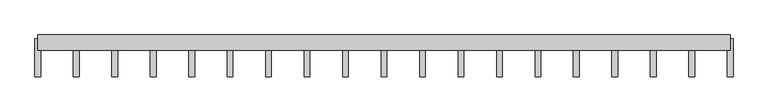
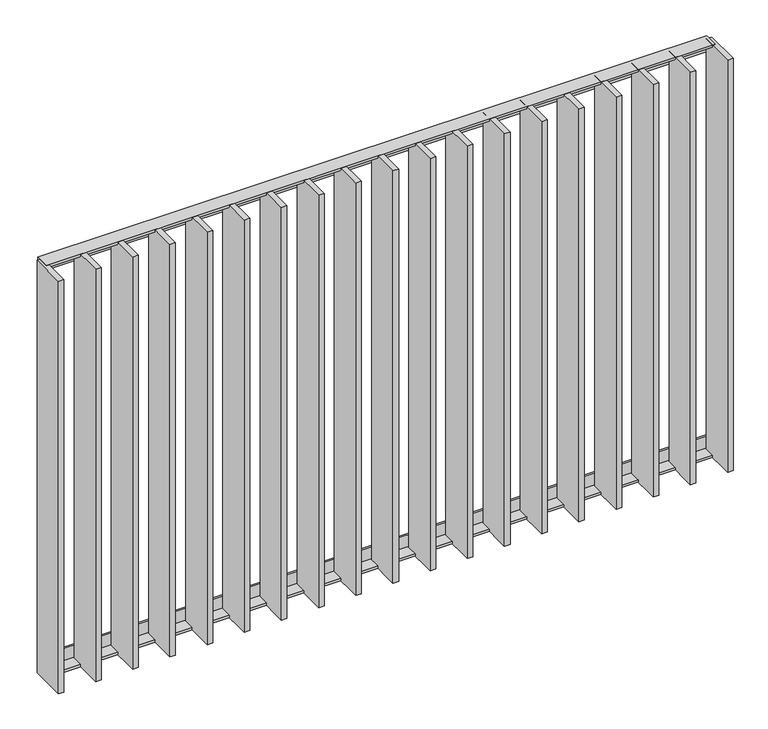
"""IFC4 building model written with IfcOpenShell, lengths in millimetres: railing geometry."""

import ifcopenshell
import ifcopenshell.guid

model = None  # the IFC model being written
_history = None  # IfcOwnerHistory: only IFC2X3 demands one
_inside = {}  # id of a spatial element -> (the spatial element, [elements in it])
_under = {}  # id of a project, library or spatial element -> (it, [spatial elements below it])
_declared = {}  # id of a project -> (the project, [libraries it declares])
_typed = {}  # id of a type object -> (the type object, [elements of that type])
_made_of = {}  # id of a material, layer set ... -> (it, [elements and type objects made of it])


def new_model(schema):
    """Start an empty IFC model of exactly this schema.

    Asked for "IFC4X3", IfcOpenShell would pick the latest addendum, in which some entities
    have other attributes; the version numbers below select the first issue.
    IFC2X3 requires an IfcOwnerHistory on every rooted entity: one is made here for all.
    """
    global model, _history
    if schema == "IFC4X3":
        model = ifcopenshell.file(schema_version=(4, 3, 0, 0))
    else:
        model = ifcopenshell.file(schema=schema)
    _inside.clear()
    _under.clear()
    _declared.clear()
    _typed.clear()
    _made_of.clear()
    _history = None
    if model.schema == "IFC2X3":
        org = make("IfcOrganization", Name="unknown")
        user = make(
            "IfcPersonAndOrganization",
            ThePerson=make("IfcPerson", FamilyName="unknown"),
            TheOrganization=org,
        )
        app = make(
            "IfcApplication",
            ApplicationDeveloper=org,
            Version="unknown",
            ApplicationFullName="unknown",
            ApplicationIdentifier="unknown",
        )
        _history = make(
            "IfcOwnerHistory",
            OwningUser=user,
            OwningApplication=app,
            ChangeAction="ADDED",
            CreationDate=0,
        )
    return model


def make(cls, **values):
    """One entity of the class cls with the attributes given. An attribute that is None is left unset."""
    return model.create_entity(
        cls, **{name: value for name, value in values.items() if value is not None}
    )


def rooted(cls, **values):
    """An entity with a GlobalId (a new one), such as an element, a storey or a relation."""
    return make(cls, GlobalId=ifcopenshell.guid.new(), OwnerHistory=_history, **values)


def si_unit(unit_type, name, prefix=None):
    """IfcSIUnit, for example si_unit("LENGTHUNIT", "METRE", prefix="MILLI")."""
    return make("IfcSIUnit", UnitType=unit_type, Prefix=prefix, Name=name)


def assignment(units):
    """IfcUnitAssignment: the units of a project."""
    return None if units is None else make("IfcUnitAssignment", Units=units)


def point(xyz):
    """IfcCartesianPoint."""
    return None if xyz is None else make("IfcCartesianPoint", Coordinates=xyz)


def direction(xyz):
    """IfcDirection."""
    return None if xyz is None else make("IfcDirection", DirectionRatios=xyz)


def frame(location, z_axis=None, x_axis=None):
    """IfcAxis2Placement3D, a coordinate frame: its origin and axes. An axis left out is left unset."""
    return make(
        "IfcAxis2Placement3D",
        Location=point(location),
        Axis=direction(z_axis),
        RefDirection=direction(x_axis),
    )


def origin():
    """The frame at (0, 0, 0) with its axes left unset."""
    return frame((0.0, 0.0, 0.0))


def place(relative_to, where):
    """IfcLocalPlacement: puts the frame where relative to a parent placement (None: the world)."""
    return make(
        "IfcLocalPlacement", PlacementRelTo=relative_to, RelativePlacement=where
    )


def context(
    kind, dimensions, precision=None, world=None, true_north=None, identifier=None
):
    """IfcGeometricRepresentationContext, for example the 3D "Model" context."""
    return make(
        "IfcGeometricRepresentationContext",
        ContextIdentifier=identifier,
        ContextType=kind,
        CoordinateSpaceDimension=dimensions,
        Precision=precision,
        WorldCoordinateSystem=world,
        TrueNorth=true_north,
    )


def project(units=None, contexts=None):
    """IfcProject with its units and contexts."""
    return rooted(
        "IfcProject",
        Name="project",
        RepresentationContexts=contexts,
        UnitsInContext=assignment(units),
    )


def spatial(cls, under=None, at=None, **own):
    """A site, building, storey or space (cls), placed at a placement, below another one or the project."""
    s = rooted(cls, ObjectPlacement=at, **own)
    if under is not None:
        _under.setdefault(under.id(), (under, []))[1].append(s)
    return s


def polyline(points):
    """IfcPolyline through the points."""
    return make("IfcPolyline", Points=[point(p) for p in points])


def outline(outer, holes=None, kind="AREA"):
    """IfcArbitraryClosedProfileDef: a profile drawn as a closed curve; with holes, ...WithVoids."""
    if holes is None:
        return make("IfcArbitraryClosedProfileDef", ProfileType=kind, OuterCurve=outer)
    return make(
        "IfcArbitraryProfileDefWithVoids",
        ProfileType=kind,
        OuterCurve=outer,
        InnerCurves=holes,
    )


def extrude(swept, where, along, depth):
    """IfcExtrudedAreaSolid: the profile swept, set in the frame where, extruded along a direction by depth."""
    return make(
        "IfcExtrudedAreaSolid",
        SweptArea=swept,
        Position=where,
        ExtrudedDirection=direction(along),
        Depth=depth,
    )


def shape(context_of_items, identifier, shape_type, items):
    """IfcShapeRepresentation: the items that make up one representation, for example the "Body"."""
    return make(
        "IfcShapeRepresentation",
        ContextOfItems=context_of_items,
        RepresentationIdentifier=identifier,
        RepresentationType=shape_type,
        Items=items,
    )


def source(mapping_origin, context_of_items, identifier, shape_type, items):
    """IfcRepresentationMap: a shape defined once, which mapped items show again and again."""
    return make(
        "IfcRepresentationMap",
        MappingOrigin=mapping_origin,
        MappedRepresentation=shape(context_of_items, identifier, shape_type, items),
    )


def transform(
    local_origin,
    x_axis=None,
    y_axis=None,
    z_axis=None,
    scale=None,
    scale2=None,
    scale3=None,
    uniform=True,
):
    """IfcCartesianTransformationOperator3D, or its non-uniform kind. x_axis, y_axis, z_axis: its Axis1, 2, 3."""
    if uniform:
        return make(
            "IfcCartesianTransformationOperator3D",
            Axis1=direction(x_axis),
            Axis2=direction(y_axis),
            LocalOrigin=point(local_origin),
            Scale=scale,
            Axis3=direction(z_axis),
        )
    return make(
        "IfcCartesianTransformationOperator3DnonUniform",
        Axis1=direction(x_axis),
        Axis2=direction(y_axis),
        LocalOrigin=point(local_origin),
        Scale=scale,
        Axis3=direction(z_axis),
        Scale2=scale2,
        Scale3=scale3,
    )


def mapped(mapping_source, mapping_target):
    """IfcMappedItem: shows the shape of a source again, moved by a transform."""
    return make(
        "IfcMappedItem", MappingSource=mapping_source, MappingTarget=mapping_target
    )


def made_of(thing, what):
    """Note that an element or type object is made of a material, layer set ...; save() writes the relation."""
    if what is not None:
        _made_of.setdefault(what.id(), (what, []))[1].append(thing)
    return thing


def element(
    cls,
    number,
    at=None,
    inside=None,
    cuts=None,
    type_object=None,
    material=None,
    context=None,
    identifier="Body",
    shape_type=None,
    held_by="IfcProductDefinitionShape",
    body=None,
    shapes=None,
    **own,
):
    """One element of the class cls, such as IfcWall. Its Tag is "e" and its number.

    at: its placement. inside: the storey or other place that contains it. cuts: it is an
    opening in that element (IfcRelVoidsElement). A single representation is given by context,
    identifier, shape_type and body (its items); several are given by shapes. held_by: the class
    of the entity that holds the representations. save() writes the other relations.
    """
    e = rooted(cls, Tag="e%d" % number, ObjectPlacement=at, **own)
    if body is not None:
        shapes = [shape(context, identifier, shape_type, body)]
    if shapes is not None:
        e.Representation = make(held_by, Representations=shapes)
    if inside is not None:
        _inside.setdefault(inside.id(), (inside, []))[1].append(e)
    if cuts is not None:
        rooted(
            "IfcRelVoidsElement", RelatingBuildingElement=cuts, RelatedOpeningElement=e
        )
    if type_object is not None:
        _typed.setdefault(type_object.id(), (type_object, []))[1].append(e)
    return made_of(e, material)


def aggregate(whole, parts):
    """IfcRelAggregates: a whole, such as a stair, and the parts it consists of."""
    return rooted("IfcRelAggregates", RelatingObject=whole, RelatedObjects=parts)


def save(model, path):
    """Write the relations noted so far, then the file.

    IfcRelAggregates (storeys below a building ...), IfcRelContainedInSpatialStructure (elements
    in a storey), IfcRelDefinesByType, IfcRelAssociatesMaterial and IfcRelDeclares: one each for
    every whole, place, type object, material and project.
    """
    for whole, parts in _under.values():
        aggregate(whole, parts)
    for where, things in _inside.values():
        rooted(
            "IfcRelContainedInSpatialStructure",
            RelatedElements=things,
            RelatingStructure=where,
        )
    for kind, things in _typed.values():
        rooted("IfcRelDefinesByType", RelatedObjects=things, RelatingType=kind)
    for what, things in _made_of.values():
        rooted("IfcRelAssociatesMaterial", RelatedObjects=things, RelatingMaterial=what)
    for by, libraries in _declared.values():
        rooted("IfcRelDeclares", RelatingContext=by, RelatedDefinitions=libraries)
    model.write(path)


def railing_16d1888d(model_context):
    return source(origin(), model_context, "Body", "SweptSolid", [
        extrude(outline(polyline([(-14.0, 6.0), (20.0, 6.0), (20.0, 0.0), (-20.0, 0.0), (-20.0, 40.0), (-14.0, 40.0), (-14.0, 6.0)])), frame((36491.5348772, -35784.8981444, 8000.0), z_axis=(1.0, -2.5510195797315918e-12, 0.0), x_axis=(-2.5510195797315918e-12, -1.0, 0.0)), (0.0, 0.0, 1.0), 1810.0),
        extrude(outline(polyline([(-14.0, -6.0), (-14.0, -40.0), (-20.0, -40.0), (-20.0, 0.0), (20.0, 0.0), (20.0, -6.0), (-14.0, -6.0)])), frame((36491.5348772, -35784.8981444, 6820.0), z_axis=(1.0, -2.5510195797315918e-12, 0.0), x_axis=(-2.5510195797315918e-12, -1.0, 0.0)), (0.0, 0.0, 1.0), 1810.0),
        extrude(outline(polyline([(36599.5904327, -35774.8981444), (36599.5904327, -35874.8981444), (36584.5904327, -35874.8981444), (36584.5904327, -35774.8981444), (36599.5904327, -35774.8981444)])), frame((0.0, 0.0, 6819.9), z_axis=(0.0, 0.0, 1.0), x_axis=(1.0, 0.0, 0.0)), (0.0, 0.0, 1.0), 1180.2),
        extrude(outline(polyline([(36700.1459883, -35774.8981444), (36700.1459883, -35874.8981444), (36685.1459883, -35874.8981444), (36685.1459883, -35774.8981444), (36700.1459883, -35774.8981444)])), frame((0.0, 0.0, 6819.9), z_axis=(0.0, 0.0, 1.0), x_axis=(1.0, 0.0, 0.0)), (0.0, 0.0, 1.0), 1180.2),
        extrude(outline(polyline([(36800.7015438, -35774.8981444), (36800.7015438, -35874.8981444), (36785.7015438, -35874.8981444), (36785.7015438, -35774.8981444), (36800.7015438, -35774.8981444)])), frame((0.0, 0.0, 6819.9), z_axis=(0.0, 0.0, 1.0), x_axis=(1.0, 0.0, 0.0)), (0.0, 0.0, 1.0), 1180.2),
        extrude(outline(polyline([(36901.2570994, -35774.8981444), (36901.2570994, -35874.8981444), (36886.2570994, -35874.8981444), (36886.2570994, -35774.8981444), (36901.2570994, -35774.8981444)])), frame((0.0, 0.0, 6819.9), z_axis=(0.0, 0.0, 1.0), x_axis=(1.0, 0.0, 0.0)), (0.0, 0.0, 1.0), 1180.2),
        extrude(outline(polyline([(37001.8126549, -35774.8981444), (37001.8126549, -35874.8981444), (36986.8126549, -35874.8981444), (36986.8126549, -35774.8981444), (37001.8126549, -35774.8981444)])), frame((0.0, 0.0, 6819.9), z_axis=(0.0, 0.0, 1.0), x_axis=(1.0, 0.0, 0.0)), (0.0, 0.0, 1.0), 1180.2),
        extrude(outline(polyline([(37102.3682105, -35774.8981444), (37102.3682105, -35874.8981444), (37087.3682105, -35874.8981444), (37087.3682105, -35774.8981444), (37102.3682105, -35774.8981444)])), frame((0.0, 0.0, 6819.9), z_axis=(0.0, 0.0, 1.0), x_axis=(1.0, 0.0, 0.0)), (0.0, 0.0, 1.0), 1180.2),
        extrude(outline(polyline([(37202.9237661, -35774.8981444), (37202.9237661, -35874.8981444), (37187.9237661, -35874.8981444), (37187.9237661, -35774.8981444), (37202.9237661, -35774.8981444)])), frame((0.0, 0.0, 6819.9), z_axis=(0.0, 0.0, 1.0), x_axis=(1.0, 0.0, 0.0)), (0.0, 0.0, 1.0), 1180.2),
        extrude(outline(polyline([(37303.4793216, -35774.8981444), (37303.4793216, -35874.8981444), (37288.4793216, -35874.8981444), (37288.4793216, -35774.8981444), (37303.4793216, -35774.8981444)])), frame((0.0, 0.0, 6819.9), z_axis=(0.0, 0.0, 1.0), x_axis=(1.0, 0.0, 0.0)), (0.0, 0.0, 1.0), 1180.2),
        extrude(outline(polyline([(37404.0348772, -35774.8981444), (37404.0348772, -35874.8981444), (37389.0348772, -35874.8981444), (37389.0348772, -35774.8981444), (37404.0348772, -35774.8981444)])), frame((0.0, 0.0, 6819.9), z_axis=(0.0, 0.0, 1.0), x_axis=(1.0, 0.0, 0.0)), (0.0, 0.0, 1.0), 1180.2),
        extrude(outline(polyline([(37504.5904327, -35774.8981444), (37504.5904327, -35874.8981444), (37489.5904327, -35874.8981444), (37489.5904327, -35774.8981444), (37504.5904327, -35774.8981444)])), frame((0.0, 0.0, 6819.9), z_axis=(0.0, 0.0, 1.0), x_axis=(1.0, 0.0, 0.0)), (0.0, 0.0, 1.0), 1180.2),
        extrude(outline(polyline([(37605.1459883, -35774.8981444), (37605.1459883, -35874.8981444), (37590.1459883, -35874.8981444), (37590.1459883, -35774.8981444), (37605.1459883, -35774.8981444)])), frame((0.0, 0.0, 6819.9), z_axis=(0.0, 0.0, 1.0), x_axis=(1.0, 0.0, 0.0)), (0.0, 0.0, 1.0), 1180.2),
        extrude(outline(polyline([(37705.7015438, -35774.8981444), (37705.7015438, -35874.8981444), (37690.7015438, -35874.8981444), (37690.7015438, -35774.8981444), (37705.7015438, -35774.8981444)])), frame((0.0, 0.0, 6819.9), z_axis=(0.0, 0.0, 1.0), x_axis=(1.0, 0.0, 0.0)), (0.0, 0.0, 1.0), 1180.2),
        extrude(outline(polyline([(37806.2570994, -35774.8981444), (37806.2570994, -35874.8981444), (37791.2570994, -35874.8981444), (37791.2570994, -35774.8981444), (37806.2570994, -35774.8981444)])), frame((0.0, 0.0, 6819.9), z_axis=(0.0, 0.0, 1.0), x_axis=(1.0, 0.0, 0.0)), (0.0, 0.0, 1.0), 1180.2),
        extrude(outline(polyline([(37906.8126549, -35774.8981444), (37906.8126549, -35874.8981444), (37891.8126549, -35874.8981444), (37891.8126549, -35774.8981444), (37906.8126549, -35774.8981444)])), frame((0.0, 0.0, 6819.9), z_axis=(0.0, 0.0, 1.0), x_axis=(1.0, 0.0, 0.0)), (0.0, 0.0, 1.0), 1180.2),
        extrude(outline(polyline([(38007.3682105, -35774.8981444), (38007.3682105, -35874.8981444), (37992.3682105, -35874.8981444), (37992.3682105, -35774.8981444), (38007.3682105, -35774.8981444)])), frame((0.0, 0.0, 6819.9), z_axis=(0.0, 0.0, 1.0), x_axis=(1.0, 0.0, 0.0)), (0.0, 0.0, 1.0), 1180.2),
        extrude(outline(polyline([(38107.9237661, -35774.8981444), (38107.9237661, -35874.8981444), (38092.9237661, -35874.8981444), (38092.9237661, -35774.8981444), (38107.9237661, -35774.8981444)])), frame((0.0, 0.0, 6819.9), z_axis=(0.0, 0.0, 1.0), x_axis=(1.0, 0.0, 0.0)), (0.0, 0.0, 1.0), 1180.2),
        extrude(outline(polyline([(38208.4793216, -35774.8981444), (38208.4793216, -35874.8981444), (38193.4793216, -35874.8981444), (38193.4793216, -35774.8981444), (38208.4793216, -35774.8981444)])), frame((0.0, 0.0, 6819.9), z_axis=(0.0, 0.0, 1.0), x_axis=(1.0, 0.0, 0.0)), (0.0, 0.0, 1.0), 1180.2),
        extrude(outline(polyline([(36499.0348772, -35774.8981444), (36499.0348772, -35874.8981444), (36484.0348772, -35874.8981444), (36484.0348772, -35774.8981444), (36499.0348772, -35774.8981444)])), frame((0.0, 0.0, 6819.9), z_axis=(0.0, 0.0, 1.0), x_axis=(1.0, 0.0, 0.0)), (0.0, 0.0, 1.0), 1180.2),
        extrude(outline(polyline([(38309.0348772, -35774.8981444), (38309.0348772, -35874.8981444), (38294.0348772, -35874.8981444), (38294.0348772, -35774.8981444), (38309.0348772, -35774.8981444)])), frame((0.0, 0.0, 6819.9), z_axis=(0.0, 0.0, 1.0), x_axis=(1.0, 0.0, 0.0)), (0.0, 0.0, 1.0), 1180.2),
    ])


if __name__ == "__main__":
    model = new_model("IFC4")
    model_context = context("Model", 3, world=origin())
    ifc_project = project(units=[si_unit("LENGTHUNIT", "METRE", prefix="MILLI")], contexts=[model_context])
    site = spatial("IfcSite", under=ifc_project)
    building = spatial("IfcBuilding", under=site)
    placement = place(None, origin())
    railing_shape = railing_16d1888d(model_context)
    element("IfcRailing", 1, at=placement, inside=building, context=model_context, shape_type="MappedRepresentation", body=[
        mapped(railing_shape, transform((0.0, 0.0, 0.0), x_axis=(1.0, 0.0, 0.0), y_axis=(0.0, 1.0, 0.0), z_axis=(0.0, 0.0, 1.0))),
    ])
    save(model, "model.ifc")
